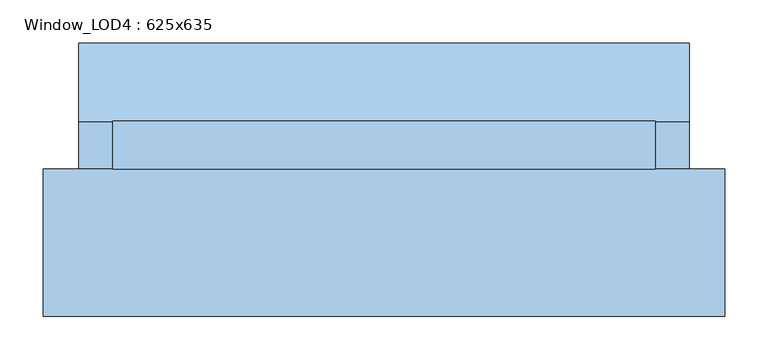
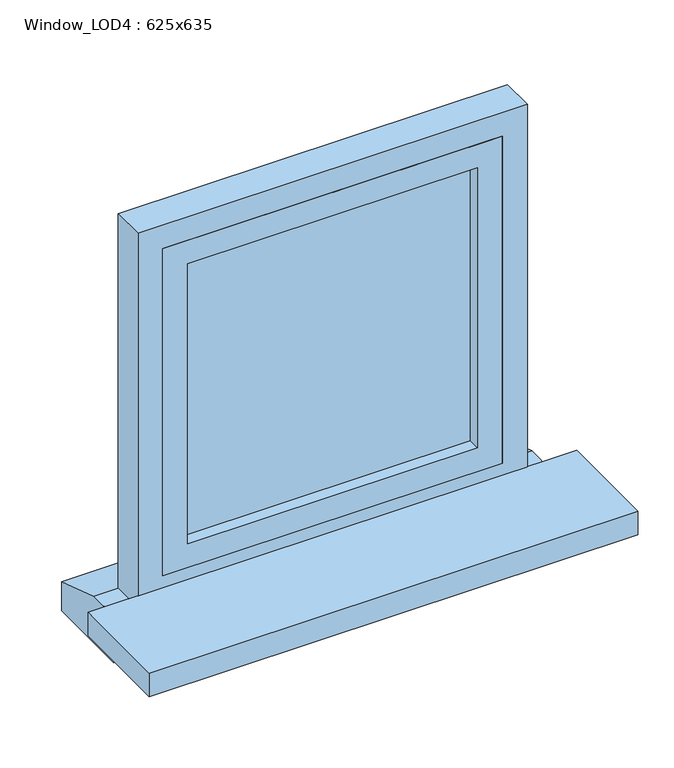
"""IFC4 building model written with IfcOpenShell, lengths in millimetres: window geometry, Window_LOD4 : 625x635."""

from ifc_helpers import new_model, si_unit, frame, origin, place, context, project, spatial, polyline, outline, extrude, source, transform, mapped, element, save


def window_lod4_625x635_844ff72c(model_context):
    return source(origin(), model_context, "Body", "SweptSolid", [
        extrude(outline(polyline([(232.5000125, 57.5), (-232.5000125, 57.5), (-232.5000125, 72.5), (232.5000125, 72.5), (232.5000125, 57.5)])), frame((0.0, 0.0, 880.0), z_axis=(0.0, 0.0, 1.0), x_axis=(1.0, 0.0, 0.0)), (0.0, 0.0, 1.0), 475.0000254),
        extrude(outline(polyline([(1395.0000254, -272.5000125), (840.0, -272.5000125), (840.0, 272.5000125), (1395.0000254, 272.5000125), (1395.0000254, -272.5000125)]), holes=[polyline([(1355.0000254, -232.5000125), (1355.0000254, 232.5000125), (880.0, 232.5000125), (880.0, -232.5000125), (1355.0000254, -232.5000125)])]), frame((0.0, 37.5, 0.0), z_axis=(0.0, 1.0, 0.0), x_axis=(0.0, 0.0, 1.0)), (0.0, 0.0, 1.0), 55.0),
        extrude(outline(polyline([(92.5, 800.0), (182.5, 770.0), (182.5, 720.0), (37.5, 720.0), (37.5, 800.0), (92.5, 800.0)])), frame((-351.4966022, 0.0, 0.0), z_axis=(1.0, 0.0, 0.0), x_axis=(0.0, 1.0, 0.0)), (0.0, 0.0, 1.0), 702.9932045),
        extrude(outline(polyline([(1435.0000254, -312.5000125), (800.0, -312.5000125), (800.0, 312.5000125), (1435.0000254, 312.5000125), (1435.0000254, -312.5000125)]), holes=[polyline([(1395.0000254, -272.5000125), (1395.0000254, 272.5000125), (840.0, 272.5000125), (840.0, -272.5000125), (1395.0000254, -272.5000125)])]), frame((0.0, 37.5, 0.0), z_axis=(0.0, 1.0, 0.0), x_axis=(0.0, 0.0, 1.0)), (0.0, 0.0, 1.0), 55.0),
        extrude(outline(polyline([(392.5000125, 37.5), (392.5000125, -132.3887308), (-392.5000125, -132.3887308), (-392.5000125, 37.5), (392.5000125, 37.5)])), frame((0.0, 0.0, 780.0), z_axis=(0.0, 0.0, 1.0), x_axis=(1.0, 0.0, 0.0)), (0.0, 0.0, 1.0), 40.0),
    ])


if __name__ == "__main__":
    model = new_model("IFC4")
    model_context = context("Model", 3, world=origin())
    ifc_project = project(units=[si_unit("LENGTHUNIT", "METRE", prefix="MILLI")], contexts=[model_context])
    site = spatial("IfcSite", under=ifc_project)
    building = spatial("IfcBuilding", under=site)
    placement = place(None, origin())
    window_lod4_625x635_shape = window_lod4_625x635_844ff72c(model_context)
    element("IfcWindow", 1, ObjectType="Window_LOD4 : 625x635", at=placement, inside=building, context=model_context, shape_type="MappedRepresentation", body=[
        mapped(window_lod4_625x635_shape, transform((0.0, 0.0, 0.0), x_axis=(1.0, 0.0, 0.0), y_axis=(0.0, 1.0, 0.0), z_axis=(0.0, 0.0, 1.0))),
    ])
    save(model, "model.ifc")
